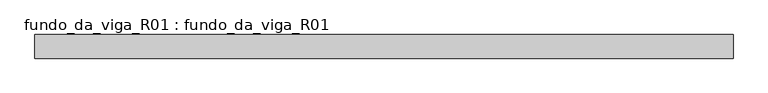
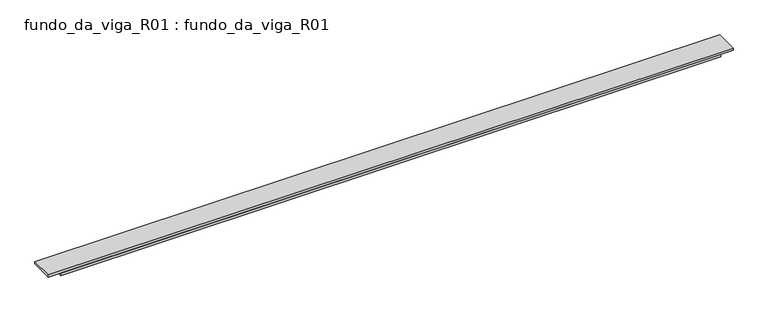
"""IFC4 building model written with IfcOpenShell, lengths in millimetres: proxy geometry, fundo_da_viga_R01 : fundo_da_viga_R01."""

from ifc_helpers import new_model, si_unit, frame, origin, place, context, project, spatial, polyline, outline, extrude, source, transform, mapped, element, save


def fundo_da_viga_r01_fundo_da_viga_r01_c3c6ce0e(model_context):
    return source(origin(), model_context, "Body", "SweptSolid", [
        extrude(outline(polyline([(0.0, 95.0), (5610.0, 95.0), (5610.0, -95.0), (0.0, -95.0), (0.0, 95.0)])), frame((0.0, 0.0, -618.0), z_axis=(0.0, 0.0, 1.0), x_axis=(1.0, 0.0, 0.0)), (0.0, 0.0, 1.0), 18.0),
        extrude(outline(polyline([(5510.0, 95.0), (5510.0, 25.0), (100.0, 25.0), (100.0, 95.0), (5510.0, 95.0)])), frame((0.0, 0.0, -640.0), z_axis=(0.0, 0.0, 1.0), x_axis=(1.0, 0.0, 0.0)), (0.0, 0.0, 1.0), 22.0),
        extrude(outline(polyline([(5510.0, -25.0), (5510.0, -95.0), (100.0, -95.0), (100.0, -25.0), (5510.0, -25.0)])), frame((0.0, 0.0, -640.0), z_axis=(0.0, 0.0, 1.0), x_axis=(1.0, 0.0, 0.0)), (0.0, 0.0, 1.0), 22.0),
    ])


if __name__ == "__main__":
    model = new_model("IFC4")
    model_context = context("Model", 3, world=origin())
    ifc_project = project(units=[si_unit("LENGTHUNIT", "METRE", prefix="MILLI")], contexts=[model_context])
    site = spatial("IfcSite", under=ifc_project)
    building = spatial("IfcBuilding", under=site)
    placement = place(None, origin())
    fundo_da_viga_r01_fundo_da_viga_r01_shape = fundo_da_viga_r01_fundo_da_viga_r01_c3c6ce0e(model_context)
    element("IfcBuildingElementProxy", 1, Name="fundo_da_viga_R01 : fundo_da_viga_R01", ObjectType="fundo_da_viga_R01 : fundo_da_viga_R01", at=placement, inside=building, context=model_context, shape_type="MappedRepresentation", body=[
        mapped(fundo_da_viga_r01_fundo_da_viga_r01_shape, transform((0.0, 0.0, 0.0), x_axis=(1.0, 0.0, 0.0), y_axis=(0.0, 1.0, 0.0), z_axis=(0.0, 0.0, 1.0))),
    ])
    save(model, "model.ifc")
